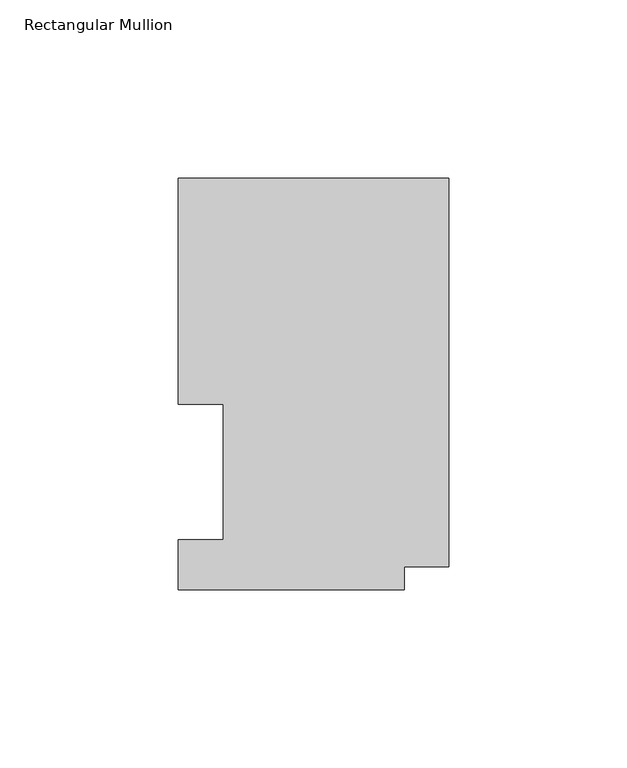
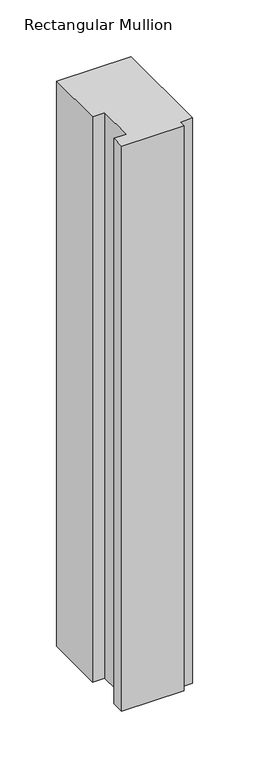
"""IFC4 building model written with IfcOpenShell, lengths in millimetres: member geometry, Rectangular Mullion."""

import ifcopenshell
import ifcopenshell.guid

model = None  # the IFC model being written
_history = None  # IfcOwnerHistory: only IFC2X3 demands one
_inside = {}  # id of a spatial element -> (the spatial element, [elements in it])
_under = {}  # id of a project, library or spatial element -> (it, [spatial elements below it])
_declared = {}  # id of a project -> (the project, [libraries it declares])
_typed = {}  # id of a type object -> (the type object, [elements of that type])
_made_of = {}  # id of a material, layer set ... -> (it, [elements and type objects made of it])


def new_model(schema):
    """Start an empty IFC model of exactly this schema.

    Asked for "IFC4X3", IfcOpenShell would pick the latest addendum, in which some entities
    have other attributes; the version numbers below select the first issue.
    IFC2X3 requires an IfcOwnerHistory on every rooted entity: one is made here for all.
    """
    global model, _history
    if schema == "IFC4X3":
        model = ifcopenshell.file(schema_version=(4, 3, 0, 0))
    else:
        model = ifcopenshell.file(schema=schema)
    _inside.clear()
    _under.clear()
    _declared.clear()
    _typed.clear()
    _made_of.clear()
    _history = None
    if model.schema == "IFC2X3":
        org = make("IfcOrganization", Name="unknown")
        user = make(
            "IfcPersonAndOrganization",
            ThePerson=make("IfcPerson", FamilyName="unknown"),
            TheOrganization=org,
        )
        app = make(
            "IfcApplication",
            ApplicationDeveloper=org,
            Version="unknown",
            ApplicationFullName="unknown",
            ApplicationIdentifier="unknown",
        )
        _history = make(
            "IfcOwnerHistory",
            OwningUser=user,
            OwningApplication=app,
            ChangeAction="ADDED",
            CreationDate=0,
        )
    return model


def make(cls, **values):
    """One entity of the class cls with the attributes given. An attribute that is None is left unset."""
    return model.create_entity(
        cls, **{name: value for name, value in values.items() if value is not None}
    )


def rooted(cls, **values):
    """An entity with a GlobalId (a new one), such as an element, a storey or a relation."""
    return make(cls, GlobalId=ifcopenshell.guid.new(), OwnerHistory=_history, **values)


def si_unit(unit_type, name, prefix=None):
    """IfcSIUnit, for example si_unit("LENGTHUNIT", "METRE", prefix="MILLI")."""
    return make("IfcSIUnit", UnitType=unit_type, Prefix=prefix, Name=name)


def assignment(units):
    """IfcUnitAssignment: the units of a project."""
    return None if units is None else make("IfcUnitAssignment", Units=units)


def point(xyz):
    """IfcCartesianPoint."""
    return None if xyz is None else make("IfcCartesianPoint", Coordinates=xyz)


def direction(xyz):
    """IfcDirection."""
    return None if xyz is None else make("IfcDirection", DirectionRatios=xyz)


def frame(location, z_axis=None, x_axis=None):
    """IfcAxis2Placement3D, a coordinate frame: its origin and axes. An axis left out is left unset."""
    return make(
        "IfcAxis2Placement3D",
        Location=point(location),
        Axis=direction(z_axis),
        RefDirection=direction(x_axis),
    )


def origin():
    """The frame at (0, 0, 0) with its axes left unset."""
    return frame((0.0, 0.0, 0.0))


def place(relative_to, where):
    """IfcLocalPlacement: puts the frame where relative to a parent placement (None: the world)."""
    return make(
        "IfcLocalPlacement", PlacementRelTo=relative_to, RelativePlacement=where
    )


def context(
    kind, dimensions, precision=None, world=None, true_north=None, identifier=None
):
    """IfcGeometricRepresentationContext, for example the 3D "Model" context."""
    return make(
        "IfcGeometricRepresentationContext",
        ContextIdentifier=identifier,
        ContextType=kind,
        CoordinateSpaceDimension=dimensions,
        Precision=precision,
        WorldCoordinateSystem=world,
        TrueNorth=true_north,
    )


def project(units=None, contexts=None):
    """IfcProject with its units and contexts."""
    return rooted(
        "IfcProject",
        Name="project",
        RepresentationContexts=contexts,
        UnitsInContext=assignment(units),
    )


def spatial(cls, under=None, at=None, **own):
    """A site, building, storey or space (cls), placed at a placement, below another one or the project."""
    s = rooted(cls, ObjectPlacement=at, **own)
    if under is not None:
        _under.setdefault(under.id(), (under, []))[1].append(s)
    return s


def polyline(points):
    """IfcPolyline through the points."""
    return make("IfcPolyline", Points=[point(p) for p in points])


def outline(outer, holes=None, kind="AREA"):
    """IfcArbitraryClosedProfileDef: a profile drawn as a closed curve; with holes, ...WithVoids."""
    if holes is None:
        return make("IfcArbitraryClosedProfileDef", ProfileType=kind, OuterCurve=outer)
    return make(
        "IfcArbitraryProfileDefWithVoids",
        ProfileType=kind,
        OuterCurve=outer,
        InnerCurves=holes,
    )


def extrude(swept, where, along, depth):
    """IfcExtrudedAreaSolid: the profile swept, set in the frame where, extruded along a direction by depth."""
    return make(
        "IfcExtrudedAreaSolid",
        SweptArea=swept,
        Position=where,
        ExtrudedDirection=direction(along),
        Depth=depth,
    )


def shape(context_of_items, identifier, shape_type, items):
    """IfcShapeRepresentation: the items that make up one representation, for example the "Body"."""
    return make(
        "IfcShapeRepresentation",
        ContextOfItems=context_of_items,
        RepresentationIdentifier=identifier,
        RepresentationType=shape_type,
        Items=items,
    )


def source(mapping_origin, context_of_items, identifier, shape_type, items):
    """IfcRepresentationMap: a shape defined once, which mapped items show again and again."""
    return make(
        "IfcRepresentationMap",
        MappingOrigin=mapping_origin,
        MappedRepresentation=shape(context_of_items, identifier, shape_type, items),
    )


def transform(
    local_origin,
    x_axis=None,
    y_axis=None,
    z_axis=None,
    scale=None,
    scale2=None,
    scale3=None,
    uniform=True,
):
    """IfcCartesianTransformationOperator3D, or its non-uniform kind. x_axis, y_axis, z_axis: its Axis1, 2, 3."""
    if uniform:
        return make(
            "IfcCartesianTransformationOperator3D",
            Axis1=direction(x_axis),
            Axis2=direction(y_axis),
            LocalOrigin=point(local_origin),
            Scale=scale,
            Axis3=direction(z_axis),
        )
    return make(
        "IfcCartesianTransformationOperator3DnonUniform",
        Axis1=direction(x_axis),
        Axis2=direction(y_axis),
        LocalOrigin=point(local_origin),
        Scale=scale,
        Axis3=direction(z_axis),
        Scale2=scale2,
        Scale3=scale3,
    )


def mapped(mapping_source, mapping_target):
    """IfcMappedItem: shows the shape of a source again, moved by a transform."""
    return make(
        "IfcMappedItem", MappingSource=mapping_source, MappingTarget=mapping_target
    )


def made_of(thing, what):
    """Note that an element or type object is made of a material, layer set ...; save() writes the relation."""
    if what is not None:
        _made_of.setdefault(what.id(), (what, []))[1].append(thing)
    return thing


def element(
    cls,
    number,
    at=None,
    inside=None,
    cuts=None,
    type_object=None,
    material=None,
    context=None,
    identifier="Body",
    shape_type=None,
    held_by="IfcProductDefinitionShape",
    body=None,
    shapes=None,
    **own,
):
    """One element of the class cls, such as IfcWall. Its Tag is "e" and its number.

    at: its placement. inside: the storey or other place that contains it. cuts: it is an
    opening in that element (IfcRelVoidsElement). A single representation is given by context,
    identifier, shape_type and body (its items); several are given by shapes. held_by: the class
    of the entity that holds the representations. save() writes the other relations.
    """
    e = rooted(cls, Tag="e%d" % number, ObjectPlacement=at, **own)
    if body is not None:
        shapes = [shape(context, identifier, shape_type, body)]
    if shapes is not None:
        e.Representation = make(held_by, Representations=shapes)
    if inside is not None:
        _inside.setdefault(inside.id(), (inside, []))[1].append(e)
    if cuts is not None:
        rooted(
            "IfcRelVoidsElement", RelatingBuildingElement=cuts, RelatedOpeningElement=e
        )
    if type_object is not None:
        _typed.setdefault(type_object.id(), (type_object, []))[1].append(e)
    return made_of(e, material)


def aggregate(whole, parts):
    """IfcRelAggregates: a whole, such as a stair, and the parts it consists of."""
    return rooted("IfcRelAggregates", RelatingObject=whole, RelatedObjects=parts)


def save(model, path):
    """Write the relations noted so far, then the file.

    IfcRelAggregates (storeys below a building ...), IfcRelContainedInSpatialStructure (elements
    in a storey), IfcRelDefinesByType, IfcRelAssociatesMaterial and IfcRelDeclares: one each for
    every whole, place, type object, material and project.
    """
    for whole, parts in _under.values():
        aggregate(whole, parts)
    for where, things in _inside.values():
        rooted(
            "IfcRelContainedInSpatialStructure",
            RelatedElements=things,
            RelatingStructure=where,
        )
    for kind, things in _typed.values():
        rooted("IfcRelDefinesByType", RelatedObjects=things, RelatingType=kind)
    for what, things in _made_of.values():
        rooted("IfcRelAssociatesMaterial", RelatedObjects=things, RelatingMaterial=what)
    for by, libraries in _declared.values():
        rooted("IfcRelDeclares", RelatingContext=by, RelatedDefinitions=libraries)
    model.write(path)


def rectangular_mullion_1f99506b(model_context):
    return source(origin(), model_context, "Body", "SweptSolid", [
        extrude(outline(polyline([(0.0, 115.5898607), (0.0, 6.3856708), (-12.5262802, 6.3856708), (-12.5262802, 0.0198607), (-76.0262802, 0.0198607), (-76.0262802, 13.9898777), (-63.3262802, 13.9898777), (-63.3262802, 52.0898438), (-76.0222, 52.0898438), (-76.0222, 115.5898607), (0.0, 115.5898607)])), frame((0.0, 0.0, -609.56825), z_axis=(0.0, 0.0, 1.0), x_axis=(1.0, 0.0, 0.0)), (0.0, 0.0, 1.0), 609.56825),
    ])


if __name__ == "__main__":
    model = new_model("IFC4")
    model_context = context("Model", 3, world=origin())
    ifc_project = project(units=[si_unit("LENGTHUNIT", "METRE", prefix="MILLI")], contexts=[model_context])
    site = spatial("IfcSite", under=ifc_project)
    building = spatial("IfcBuilding", under=site)
    placement = place(None, origin())
    rectangular_mullion_shape = rectangular_mullion_1f99506b(model_context)
    element("IfcMember", 1, ObjectType="Rectangular Mullion", at=placement, inside=building, context=model_context, shape_type="MappedRepresentation", body=[
        mapped(rectangular_mullion_shape, transform((0.0, 0.0, 0.0), x_axis=(1.0, 0.0, 0.0), y_axis=(0.0, 1.0, 0.0), z_axis=(0.0, 0.0, 1.0))),
    ])
    save(model, "model.ifc")
